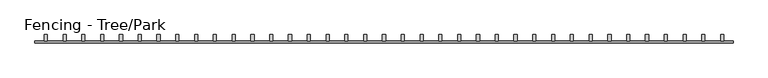
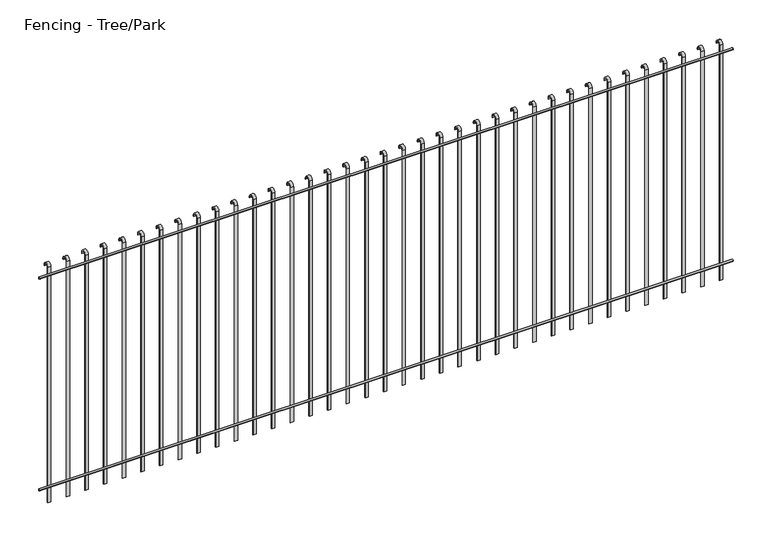
"""IFC4 building model written with IfcOpenShell, lengths in millimetres: railing geometry, Fencing - Tree/Park."""

from ifc_helpers import new_model, si_unit, point, frame, frame_2d, origin, place, context, project, spatial, polyline, circle_curve, trimmed, segment, composite_curve, outline, extrude, source, transform, mapped, element, save


def fencing_tree_park_c94f55c4(model_context):
    return source(origin(), model_context, "Body", "SweptSolid", [
        extrude(outline(composite_curve([segment(trimmed(circle_curve(frame_2d((-5462.3493691, 1992.5)), 7.5), [point((-5454.8493691, 1992.5))], [point((-5469.8493691, 1992.5))], False, "CARTESIAN"), True, "CONTINUOUS"), segment(trimmed(circle_curve(frame_2d((-5462.3493691, 1992.5)), 7.5), [point((-5469.8493691, 1992.5))], [point((-5454.8493691, 1992.5))], False, "CARTESIAN"), True, "CONTINUOUS")], self_intersect=False)), frame((5143.9077408, 0.0, 0.0), z_axis=(1.0, 0.0, 0.0), x_axis=(0.0, 1.0, 0.0)), (0.0, 0.0, 1.0), 5574.3196625),
        extrude(outline(composite_curve([segment(trimmed(circle_curve(frame_2d((-5462.3493691, 192.5)), 7.5), [point((-5454.8493691, 192.5))], [point((-5469.8493691, 192.5))], False, "CARTESIAN"), True, "CONTINUOUS"), segment(trimmed(circle_curve(frame_2d((-5462.3493691, 192.5)), 7.5), [point((-5469.8493691, 192.5))], [point((-5454.8493691, 192.5))], False, "CARTESIAN"), True, "CONTINUOUS")], self_intersect=False)), frame((5143.9077408, 0.0, 0.0), z_axis=(1.0, 0.0, 0.0), x_axis=(0.0, 1.0, 0.0)), (0.0, 0.0, 1.0), 5574.3196625),
        extrude(outline(composite_curve([segment(trimmed(circle_curve(frame_2d((-5429.8493691, 2050.0)), 25.0), [point((-5454.8493691, 2050.0))], [point((-5404.8493691, 2050.0))], False, "CARTESIAN"), True, "CONTINUOUS"), segment(polyline([(-5404.8493691, 2050.0), (-5404.8493691, 2040.0), (-5409.8493691, 2040.0), (-5409.8493691, 2050.0)]), True, "CONTINUOUS"), segment(trimmed(circle_curve(frame_2d((-5429.8493691, 2050.0)), 20.0), [point((-5409.8493691, 2050.0))], [point((-5449.8493691, 2050.0))], True, "CARTESIAN"), True, "CONTINUOUS"), segment(polyline([(-5449.8493691, 2050.0), (-5449.8493691, 50.0), (-5454.8493691, 50.0), (-5454.8493691, 2050.0)]), True, "CONTINUOUS")], self_intersect=False)), frame((10618.5675721, 0.0, 0.0), z_axis=(1.0, 0.0, 0.0), x_axis=(0.0, 1.0, 0.0)), (0.0, 0.0, 1.0), 25.0),
        extrude(outline(composite_curve([segment(trimmed(circle_curve(frame_2d((-5429.8493691, 2050.0)), 25.0), [point((-5454.8493691, 2050.0))], [point((-5404.8493691, 2050.0))], False, "CARTESIAN"), True, "CONTINUOUS"), segment(polyline([(-5404.8493691, 2050.0), (-5404.8493691, 2040.0), (-5409.8493691, 2040.0), (-5409.8493691, 2050.0)]), True, "CONTINUOUS"), segment(trimmed(circle_curve(frame_2d((-5429.8493691, 2050.0)), 20.0), [point((-5409.8493691, 2050.0))], [point((-5449.8493691, 2050.0))], True, "CARTESIAN"), True, "CONTINUOUS"), segment(polyline([(-5449.8493691, 2050.0), (-5449.8493691, 50.0), (-5454.8493691, 50.0), (-5454.8493691, 2050.0)]), True, "CONTINUOUS")], self_intersect=False)), frame((10468.5675721, 0.0, 0.0), z_axis=(1.0, 0.0, 0.0), x_axis=(0.0, 1.0, 0.0)), (0.0, 0.0, 1.0), 25.0),
        extrude(outline(composite_curve([segment(trimmed(circle_curve(frame_2d((-5429.8493691, 2050.0)), 25.0), [point((-5454.8493691, 2050.0))], [point((-5404.8493691, 2050.0))], False, "CARTESIAN"), True, "CONTINUOUS"), segment(polyline([(-5404.8493691, 2050.0), (-5404.8493691, 2040.0), (-5409.8493691, 2040.0), (-5409.8493691, 2050.0)]), True, "CONTINUOUS"), segment(trimmed(circle_curve(frame_2d((-5429.8493691, 2050.0)), 20.0), [point((-5409.8493691, 2050.0))], [point((-5449.8493691, 2050.0))], True, "CARTESIAN"), True, "CONTINUOUS"), segment(polyline([(-5449.8493691, 2050.0), (-5449.8493691, 50.0), (-5454.8493691, 50.0), (-5454.8493691, 2050.0)]), True, "CONTINUOUS")], self_intersect=False)), frame((10318.5675721, 0.0, 0.0), z_axis=(1.0, 0.0, 0.0), x_axis=(0.0, 1.0, 0.0)), (0.0, 0.0, 1.0), 25.0),
        extrude(outline(composite_curve([segment(trimmed(circle_curve(frame_2d((-5429.8493691, 2050.0)), 25.0), [point((-5454.8493691, 2050.0))], [point((-5404.8493691, 2050.0))], False, "CARTESIAN"), True, "CONTINUOUS"), segment(polyline([(-5404.8493691, 2050.0), (-5404.8493691, 2040.0), (-5409.8493691, 2040.0), (-5409.8493691, 2050.0)]), True, "CONTINUOUS"), segment(trimmed(circle_curve(frame_2d((-5429.8493691, 2050.0)), 20.0), [point((-5409.8493691, 2050.0))], [point((-5449.8493691, 2050.0))], True, "CARTESIAN"), True, "CONTINUOUS"), segment(polyline([(-5449.8493691, 2050.0), (-5449.8493691, 50.0), (-5454.8493691, 50.0), (-5454.8493691, 2050.0)]), True, "CONTINUOUS")], self_intersect=False)), frame((10168.5675721, 0.0, 0.0), z_axis=(1.0, 0.0, 0.0), x_axis=(0.0, 1.0, 0.0)), (0.0, 0.0, 1.0), 25.0),
        extrude(outline(composite_curve([segment(trimmed(circle_curve(frame_2d((-5429.8493691, 2050.0)), 25.0), [point((-5454.8493691, 2050.0))], [point((-5404.8493691, 2050.0))], False, "CARTESIAN"), True, "CONTINUOUS"), segment(polyline([(-5404.8493691, 2050.0), (-5404.8493691, 2040.0), (-5409.8493691, 2040.0), (-5409.8493691, 2050.0)]), True, "CONTINUOUS"), segment(trimmed(circle_curve(frame_2d((-5429.8493691, 2050.0)), 20.0), [point((-5409.8493691, 2050.0))], [point((-5449.8493691, 2050.0))], True, "CARTESIAN"), True, "CONTINUOUS"), segment(polyline([(-5449.8493691, 2050.0), (-5449.8493691, 50.0), (-5454.8493691, 50.0), (-5454.8493691, 2050.0)]), True, "CONTINUOUS")], self_intersect=False)), frame((10018.5675721, 0.0, 0.0), z_axis=(1.0, 0.0, 0.0), x_axis=(0.0, 1.0, 0.0)), (0.0, 0.0, 1.0), 25.0),
        extrude(outline(composite_curve([segment(trimmed(circle_curve(frame_2d((-5429.8493691, 2050.0)), 25.0), [point((-5454.8493691, 2050.0))], [point((-5404.8493691, 2050.0))], False, "CARTESIAN"), True, "CONTINUOUS"), segment(polyline([(-5404.8493691, 2050.0), (-5404.8493691, 2040.0), (-5409.8493691, 2040.0), (-5409.8493691, 2050.0)]), True, "CONTINUOUS"), segment(trimmed(circle_curve(frame_2d((-5429.8493691, 2050.0)), 20.0), [point((-5409.8493691, 2050.0))], [point((-5449.8493691, 2050.0))], True, "CARTESIAN"), True, "CONTINUOUS"), segment(polyline([(-5449.8493691, 2050.0), (-5449.8493691, 50.0), (-5454.8493691, 50.0), (-5454.8493691, 2050.0)]), True, "CONTINUOUS")], self_intersect=False)), frame((9868.5675721, 0.0, 0.0), z_axis=(1.0, 0.0, 0.0), x_axis=(0.0, 1.0, 0.0)), (0.0, 0.0, 1.0), 25.0),
        extrude(outline(composite_curve([segment(trimmed(circle_curve(frame_2d((-5429.8493691, 2050.0)), 25.0), [point((-5454.8493691, 2050.0))], [point((-5404.8493691, 2050.0))], False, "CARTESIAN"), True, "CONTINUOUS"), segment(polyline([(-5404.8493691, 2050.0), (-5404.8493691, 2040.0), (-5409.8493691, 2040.0), (-5409.8493691, 2050.0)]), True, "CONTINUOUS"), segment(trimmed(circle_curve(frame_2d((-5429.8493691, 2050.0)), 20.0), [point((-5409.8493691, 2050.0))], [point((-5449.8493691, 2050.0))], True, "CARTESIAN"), True, "CONTINUOUS"), segment(polyline([(-5449.8493691, 2050.0), (-5449.8493691, 50.0), (-5454.8493691, 50.0), (-5454.8493691, 2050.0)]), True, "CONTINUOUS")], self_intersect=False)), frame((9718.5675721, 0.0, 0.0), z_axis=(1.0, 0.0, 0.0), x_axis=(0.0, 1.0, 0.0)), (0.0, 0.0, 1.0), 25.0),
        extrude(outline(composite_curve([segment(trimmed(circle_curve(frame_2d((-5429.8493691, 2050.0)), 25.0), [point((-5454.8493691, 2050.0))], [point((-5404.8493691, 2050.0))], False, "CARTESIAN"), True, "CONTINUOUS"), segment(polyline([(-5404.8493691, 2050.0), (-5404.8493691, 2040.0), (-5409.8493691, 2040.0), (-5409.8493691, 2050.0)]), True, "CONTINUOUS"), segment(trimmed(circle_curve(frame_2d((-5429.8493691, 2050.0)), 20.0), [point((-5409.8493691, 2050.0))], [point((-5449.8493691, 2050.0))], True, "CARTESIAN"), True, "CONTINUOUS"), segment(polyline([(-5449.8493691, 2050.0), (-5449.8493691, 50.0), (-5454.8493691, 50.0), (-5454.8493691, 2050.0)]), True, "CONTINUOUS")], self_intersect=False)), frame((9568.5675721, 0.0, 0.0), z_axis=(1.0, 0.0, 0.0), x_axis=(0.0, 1.0, 0.0)), (0.0, 0.0, 1.0), 25.0),
        extrude(outline(composite_curve([segment(trimmed(circle_curve(frame_2d((-5429.8493691, 2050.0)), 25.0), [point((-5454.8493691, 2050.0))], [point((-5404.8493691, 2050.0))], False, "CARTESIAN"), True, "CONTINUOUS"), segment(polyline([(-5404.8493691, 2050.0), (-5404.8493691, 2040.0), (-5409.8493691, 2040.0), (-5409.8493691, 2050.0)]), True, "CONTINUOUS"), segment(trimmed(circle_curve(frame_2d((-5429.8493691, 2050.0)), 20.0), [point((-5409.8493691, 2050.0))], [point((-5449.8493691, 2050.0))], True, "CARTESIAN"), True, "CONTINUOUS"), segment(polyline([(-5449.8493691, 2050.0), (-5449.8493691, 50.0), (-5454.8493691, 50.0), (-5454.8493691, 2050.0)]), True, "CONTINUOUS")], self_intersect=False)), frame((9418.5675721, 0.0, 0.0), z_axis=(1.0, 0.0, 0.0), x_axis=(0.0, 1.0, 0.0)), (0.0, 0.0, 1.0), 25.0),
        extrude(outline(composite_curve([segment(trimmed(circle_curve(frame_2d((-5429.8493691, 2050.0)), 25.0), [point((-5454.8493691, 2050.0))], [point((-5404.8493691, 2050.0))], False, "CARTESIAN"), True, "CONTINUOUS"), segment(polyline([(-5404.8493691, 2050.0), (-5404.8493691, 2040.0), (-5409.8493691, 2040.0), (-5409.8493691, 2050.0)]), True, "CONTINUOUS"), segment(trimmed(circle_curve(frame_2d((-5429.8493691, 2050.0)), 20.0), [point((-5409.8493691, 2050.0))], [point((-5449.8493691, 2050.0))], True, "CARTESIAN"), True, "CONTINUOUS"), segment(polyline([(-5449.8493691, 2050.0), (-5449.8493691, 50.0), (-5454.8493691, 50.0), (-5454.8493691, 2050.0)]), True, "CONTINUOUS")], self_intersect=False)), frame((9268.5675721, 0.0, 0.0), z_axis=(1.0, 0.0, 0.0), x_axis=(0.0, 1.0, 0.0)), (0.0, 0.0, 1.0), 25.0),
        extrude(outline(composite_curve([segment(trimmed(circle_curve(frame_2d((-5429.8493691, 2050.0)), 25.0), [point((-5454.8493691, 2050.0))], [point((-5404.8493691, 2050.0))], False, "CARTESIAN"), True, "CONTINUOUS"), segment(polyline([(-5404.8493691, 2050.0), (-5404.8493691, 2040.0), (-5409.8493691, 2040.0), (-5409.8493691, 2050.0)]), True, "CONTINUOUS"), segment(trimmed(circle_curve(frame_2d((-5429.8493691, 2050.0)), 20.0), [point((-5409.8493691, 2050.0))], [point((-5449.8493691, 2050.0))], True, "CARTESIAN"), True, "CONTINUOUS"), segment(polyline([(-5449.8493691, 2050.0), (-5449.8493691, 50.0), (-5454.8493691, 50.0), (-5454.8493691, 2050.0)]), True, "CONTINUOUS")], self_intersect=False)), frame((9118.5675721, 0.0, 0.0), z_axis=(1.0, 0.0, 0.0), x_axis=(0.0, 1.0, 0.0)), (0.0, 0.0, 1.0), 25.0),
        extrude(outline(composite_curve([segment(trimmed(circle_curve(frame_2d((-5429.8493691, 2050.0)), 25.0), [point((-5454.8493691, 2050.0))], [point((-5404.8493691, 2050.0))], False, "CARTESIAN"), True, "CONTINUOUS"), segment(polyline([(-5404.8493691, 2050.0), (-5404.8493691, 2040.0), (-5409.8493691, 2040.0), (-5409.8493691, 2050.0)]), True, "CONTINUOUS"), segment(trimmed(circle_curve(frame_2d((-5429.8493691, 2050.0)), 20.0), [point((-5409.8493691, 2050.0))], [point((-5449.8493691, 2050.0))], True, "CARTESIAN"), True, "CONTINUOUS"), segment(polyline([(-5449.8493691, 2050.0), (-5449.8493691, 50.0), (-5454.8493691, 50.0), (-5454.8493691, 2050.0)]), True, "CONTINUOUS")], self_intersect=False)), frame((8968.5675721, 0.0, 0.0), z_axis=(1.0, 0.0, 0.0), x_axis=(0.0, 1.0, 0.0)), (0.0, 0.0, 1.0), 25.0),
        extrude(outline(composite_curve([segment(trimmed(circle_curve(frame_2d((-5429.8493691, 2050.0)), 25.0), [point((-5454.8493691, 2050.0))], [point((-5404.8493691, 2050.0))], False, "CARTESIAN"), True, "CONTINUOUS"), segment(polyline([(-5404.8493691, 2050.0), (-5404.8493691, 2040.0), (-5409.8493691, 2040.0), (-5409.8493691, 2050.0)]), True, "CONTINUOUS"), segment(trimmed(circle_curve(frame_2d((-5429.8493691, 2050.0)), 20.0), [point((-5409.8493691, 2050.0))], [point((-5449.8493691, 2050.0))], True, "CARTESIAN"), True, "CONTINUOUS"), segment(polyline([(-5449.8493691, 2050.0), (-5449.8493691, 50.0), (-5454.8493691, 50.0), (-5454.8493691, 2050.0)]), True, "CONTINUOUS")], self_intersect=False)), frame((8818.5675721, 0.0, 0.0), z_axis=(1.0, 0.0, 0.0), x_axis=(0.0, 1.0, 0.0)), (0.0, 0.0, 1.0), 25.0),
        extrude(outline(composite_curve([segment(trimmed(circle_curve(frame_2d((-5429.8493691, 2050.0)), 25.0), [point((-5454.8493691, 2050.0))], [point((-5404.8493691, 2050.0))], False, "CARTESIAN"), True, "CONTINUOUS"), segment(polyline([(-5404.8493691, 2050.0), (-5404.8493691, 2040.0), (-5409.8493691, 2040.0), (-5409.8493691, 2050.0)]), True, "CONTINUOUS"), segment(trimmed(circle_curve(frame_2d((-5429.8493691, 2050.0)), 20.0), [point((-5409.8493691, 2050.0))], [point((-5449.8493691, 2050.0))], True, "CARTESIAN"), True, "CONTINUOUS"), segment(polyline([(-5449.8493691, 2050.0), (-5449.8493691, 50.0), (-5454.8493691, 50.0), (-5454.8493691, 2050.0)]), True, "CONTINUOUS")], self_intersect=False)), frame((8668.5675721, 0.0, 0.0), z_axis=(1.0, 0.0, 0.0), x_axis=(0.0, 1.0, 0.0)), (0.0, 0.0, 1.0), 25.0),
        extrude(outline(composite_curve([segment(trimmed(circle_curve(frame_2d((-5429.8493691, 2050.0)), 25.0), [point((-5454.8493691, 2050.0))], [point((-5404.8493691, 2050.0))], False, "CARTESIAN"), True, "CONTINUOUS"), segment(polyline([(-5404.8493691, 2050.0), (-5404.8493691, 2040.0), (-5409.8493691, 2040.0), (-5409.8493691, 2050.0)]), True, "CONTINUOUS"), segment(trimmed(circle_curve(frame_2d((-5429.8493691, 2050.0)), 20.0), [point((-5409.8493691, 2050.0))], [point((-5449.8493691, 2050.0))], True, "CARTESIAN"), True, "CONTINUOUS"), segment(polyline([(-5449.8493691, 2050.0), (-5449.8493691, 50.0), (-5454.8493691, 50.0), (-5454.8493691, 2050.0)]), True, "CONTINUOUS")], self_intersect=False)), frame((8518.5675721, 0.0, 0.0), z_axis=(1.0, 0.0, 0.0), x_axis=(0.0, 1.0, 0.0)), (0.0, 0.0, 1.0), 25.0),
        extrude(outline(composite_curve([segment(trimmed(circle_curve(frame_2d((-5429.8493691, 2050.0)), 25.0), [point((-5454.8493691, 2050.0))], [point((-5404.8493691, 2050.0))], False, "CARTESIAN"), True, "CONTINUOUS"), segment(polyline([(-5404.8493691, 2050.0), (-5404.8493691, 2040.0), (-5409.8493691, 2040.0), (-5409.8493691, 2050.0)]), True, "CONTINUOUS"), segment(trimmed(circle_curve(frame_2d((-5429.8493691, 2050.0)), 20.0), [point((-5409.8493691, 2050.0))], [point((-5449.8493691, 2050.0))], True, "CARTESIAN"), True, "CONTINUOUS"), segment(polyline([(-5449.8493691, 2050.0), (-5449.8493691, 50.0), (-5454.8493691, 50.0), (-5454.8493691, 2050.0)]), True, "CONTINUOUS")], self_intersect=False)), frame((8368.5675721, 0.0, 0.0), z_axis=(1.0, 0.0, 0.0), x_axis=(0.0, 1.0, 0.0)), (0.0, 0.0, 1.0), 25.0),
        extrude(outline(composite_curve([segment(trimmed(circle_curve(frame_2d((-5429.8493691, 2050.0)), 25.0), [point((-5454.8493691, 2050.0))], [point((-5404.8493691, 2050.0))], False, "CARTESIAN"), True, "CONTINUOUS"), segment(polyline([(-5404.8493691, 2050.0), (-5404.8493691, 2040.0), (-5409.8493691, 2040.0), (-5409.8493691, 2050.0)]), True, "CONTINUOUS"), segment(trimmed(circle_curve(frame_2d((-5429.8493691, 2050.0)), 20.0), [point((-5409.8493691, 2050.0))], [point((-5449.8493691, 2050.0))], True, "CARTESIAN"), True, "CONTINUOUS"), segment(polyline([(-5449.8493691, 2050.0), (-5449.8493691, 50.0), (-5454.8493691, 50.0), (-5454.8493691, 2050.0)]), True, "CONTINUOUS")], self_intersect=False)), frame((8218.5675721, 0.0, 0.0), z_axis=(1.0, 0.0, 0.0), x_axis=(0.0, 1.0, 0.0)), (0.0, 0.0, 1.0), 25.0),
        extrude(outline(composite_curve([segment(trimmed(circle_curve(frame_2d((-5429.8493691, 2050.0)), 25.0), [point((-5454.8493691, 2050.0))], [point((-5404.8493691, 2050.0))], False, "CARTESIAN"), True, "CONTINUOUS"), segment(polyline([(-5404.8493691, 2050.0), (-5404.8493691, 2040.0), (-5409.8493691, 2040.0), (-5409.8493691, 2050.0)]), True, "CONTINUOUS"), segment(trimmed(circle_curve(frame_2d((-5429.8493691, 2050.0)), 20.0), [point((-5409.8493691, 2050.0))], [point((-5449.8493691, 2050.0))], True, "CARTESIAN"), True, "CONTINUOUS"), segment(polyline([(-5449.8493691, 2050.0), (-5449.8493691, 50.0), (-5454.8493691, 50.0), (-5454.8493691, 2050.0)]), True, "CONTINUOUS")], self_intersect=False)), frame((8068.5675721, 0.0, 0.0), z_axis=(1.0, 0.0, 0.0), x_axis=(0.0, 1.0, 0.0)), (0.0, 0.0, 1.0), 25.0),
        extrude(outline(composite_curve([segment(trimmed(circle_curve(frame_2d((-5429.8493691, 2050.0)), 25.0), [point((-5454.8493691, 2050.0))], [point((-5404.8493691, 2050.0))], False, "CARTESIAN"), True, "CONTINUOUS"), segment(polyline([(-5404.8493691, 2050.0), (-5404.8493691, 2040.0), (-5409.8493691, 2040.0), (-5409.8493691, 2050.0)]), True, "CONTINUOUS"), segment(trimmed(circle_curve(frame_2d((-5429.8493691, 2050.0)), 20.0), [point((-5409.8493691, 2050.0))], [point((-5449.8493691, 2050.0))], True, "CARTESIAN"), True, "CONTINUOUS"), segment(polyline([(-5449.8493691, 2050.0), (-5449.8493691, 50.0), (-5454.8493691, 50.0), (-5454.8493691, 2050.0)]), True, "CONTINUOUS")], self_intersect=False)), frame((7918.5675721, 0.0, 0.0), z_axis=(1.0, 0.0, 0.0), x_axis=(0.0, 1.0, 0.0)), (0.0, 0.0, 1.0), 25.0),
        extrude(outline(composite_curve([segment(trimmed(circle_curve(frame_2d((-5429.8493691, 2050.0)), 25.0), [point((-5454.8493691, 2050.0))], [point((-5404.8493691, 2050.0))], False, "CARTESIAN"), True, "CONTINUOUS"), segment(polyline([(-5404.8493691, 2050.0), (-5404.8493691, 2040.0), (-5409.8493691, 2040.0), (-5409.8493691, 2050.0)]), True, "CONTINUOUS"), segment(trimmed(circle_curve(frame_2d((-5429.8493691, 2050.0)), 20.0), [point((-5409.8493691, 2050.0))], [point((-5449.8493691, 2050.0))], True, "CARTESIAN"), True, "CONTINUOUS"), segment(polyline([(-5449.8493691, 2050.0), (-5449.8493691, 50.0), (-5454.8493691, 50.0), (-5454.8493691, 2050.0)]), True, "CONTINUOUS")], self_intersect=False)), frame((7768.5675721, 0.0, 0.0), z_axis=(1.0, 0.0, 0.0), x_axis=(0.0, 1.0, 0.0)), (0.0, 0.0, 1.0), 25.0),
        extrude(outline(composite_curve([segment(trimmed(circle_curve(frame_2d((-5429.8493691, 2050.0)), 25.0), [point((-5454.8493691, 2050.0))], [point((-5404.8493691, 2050.0))], False, "CARTESIAN"), True, "CONTINUOUS"), segment(polyline([(-5404.8493691, 2050.0), (-5404.8493691, 2040.0), (-5409.8493691, 2040.0), (-5409.8493691, 2050.0)]), True, "CONTINUOUS"), segment(trimmed(circle_curve(frame_2d((-5429.8493691, 2050.0)), 20.0), [point((-5409.8493691, 2050.0))], [point((-5449.8493691, 2050.0))], True, "CARTESIAN"), True, "CONTINUOUS"), segment(polyline([(-5449.8493691, 2050.0), (-5449.8493691, 50.0), (-5454.8493691, 50.0), (-5454.8493691, 2050.0)]), True, "CONTINUOUS")], self_intersect=False)), frame((7618.5675721, 0.0, 0.0), z_axis=(1.0, 0.0, 0.0), x_axis=(0.0, 1.0, 0.0)), (0.0, 0.0, 1.0), 25.0),
        extrude(outline(composite_curve([segment(trimmed(circle_curve(frame_2d((-5429.8493691, 2050.0)), 25.0), [point((-5454.8493691, 2050.0))], [point((-5404.8493691, 2050.0))], False, "CARTESIAN"), True, "CONTINUOUS"), segment(polyline([(-5404.8493691, 2050.0), (-5404.8493691, 2040.0), (-5409.8493691, 2040.0), (-5409.8493691, 2050.0)]), True, "CONTINUOUS"), segment(trimmed(circle_curve(frame_2d((-5429.8493691, 2050.0)), 20.0), [point((-5409.8493691, 2050.0))], [point((-5449.8493691, 2050.0))], True, "CARTESIAN"), True, "CONTINUOUS"), segment(polyline([(-5449.8493691, 2050.0), (-5449.8493691, 50.0), (-5454.8493691, 50.0), (-5454.8493691, 2050.0)]), True, "CONTINUOUS")], self_intersect=False)), frame((7468.5675721, 0.0, 0.0), z_axis=(1.0, 0.0, 0.0), x_axis=(0.0, 1.0, 0.0)), (0.0, 0.0, 1.0), 25.0),
        extrude(outline(composite_curve([segment(trimmed(circle_curve(frame_2d((-5429.8493691, 2050.0)), 25.0), [point((-5454.8493691, 2050.0))], [point((-5404.8493691, 2050.0))], False, "CARTESIAN"), True, "CONTINUOUS"), segment(polyline([(-5404.8493691, 2050.0), (-5404.8493691, 2040.0), (-5409.8493691, 2040.0), (-5409.8493691, 2050.0)]), True, "CONTINUOUS"), segment(trimmed(circle_curve(frame_2d((-5429.8493691, 2050.0)), 20.0), [point((-5409.8493691, 2050.0))], [point((-5449.8493691, 2050.0))], True, "CARTESIAN"), True, "CONTINUOUS"), segment(polyline([(-5449.8493691, 2050.0), (-5449.8493691, 50.0), (-5454.8493691, 50.0), (-5454.8493691, 2050.0)]), True, "CONTINUOUS")], self_intersect=False)), frame((7318.5675721, 0.0, 0.0), z_axis=(1.0, 0.0, 0.0), x_axis=(0.0, 1.0, 0.0)), (0.0, 0.0, 1.0), 25.0),
        extrude(outline(composite_curve([segment(trimmed(circle_curve(frame_2d((-5429.8493691, 2050.0)), 25.0), [point((-5454.8493691, 2050.0))], [point((-5404.8493691, 2050.0))], False, "CARTESIAN"), True, "CONTINUOUS"), segment(polyline([(-5404.8493691, 2050.0), (-5404.8493691, 2040.0), (-5409.8493691, 2040.0), (-5409.8493691, 2050.0)]), True, "CONTINUOUS"), segment(trimmed(circle_curve(frame_2d((-5429.8493691, 2050.0)), 20.0), [point((-5409.8493691, 2050.0))], [point((-5449.8493691, 2050.0))], True, "CARTESIAN"), True, "CONTINUOUS"), segment(polyline([(-5449.8493691, 2050.0), (-5449.8493691, 50.0), (-5454.8493691, 50.0), (-5454.8493691, 2050.0)]), True, "CONTINUOUS")], self_intersect=False)), frame((7168.5675721, 0.0, 0.0), z_axis=(1.0, 0.0, 0.0), x_axis=(0.0, 1.0, 0.0)), (0.0, 0.0, 1.0), 25.0),
        extrude(outline(composite_curve([segment(trimmed(circle_curve(frame_2d((-5429.8493691, 2050.0)), 25.0), [point((-5454.8493691, 2050.0))], [point((-5404.8493691, 2050.0))], False, "CARTESIAN"), True, "CONTINUOUS"), segment(polyline([(-5404.8493691, 2050.0), (-5404.8493691, 2040.0), (-5409.8493691, 2040.0), (-5409.8493691, 2050.0)]), True, "CONTINUOUS"), segment(trimmed(circle_curve(frame_2d((-5429.8493691, 2050.0)), 20.0), [point((-5409.8493691, 2050.0))], [point((-5449.8493691, 2050.0))], True, "CARTESIAN"), True, "CONTINUOUS"), segment(polyline([(-5449.8493691, 2050.0), (-5449.8493691, 50.0), (-5454.8493691, 50.0), (-5454.8493691, 2050.0)]), True, "CONTINUOUS")], self_intersect=False)), frame((7018.5675721, 0.0, 0.0), z_axis=(1.0, 0.0, 0.0), x_axis=(0.0, 1.0, 0.0)), (0.0, 0.0, 1.0), 25.0),
        extrude(outline(composite_curve([segment(trimmed(circle_curve(frame_2d((-5429.8493691, 2050.0)), 25.0), [point((-5454.8493691, 2050.0))], [point((-5404.8493691, 2050.0))], False, "CARTESIAN"), True, "CONTINUOUS"), segment(polyline([(-5404.8493691, 2050.0), (-5404.8493691, 2040.0), (-5409.8493691, 2040.0), (-5409.8493691, 2050.0)]), True, "CONTINUOUS"), segment(trimmed(circle_curve(frame_2d((-5429.8493691, 2050.0)), 20.0), [point((-5409.8493691, 2050.0))], [point((-5449.8493691, 2050.0))], True, "CARTESIAN"), True, "CONTINUOUS"), segment(polyline([(-5449.8493691, 2050.0), (-5449.8493691, 50.0), (-5454.8493691, 50.0), (-5454.8493691, 2050.0)]), True, "CONTINUOUS")], self_intersect=False)), frame((6868.5675721, 0.0, 0.0), z_axis=(1.0, 0.0, 0.0), x_axis=(0.0, 1.0, 0.0)), (0.0, 0.0, 1.0), 25.0),
        extrude(outline(composite_curve([segment(trimmed(circle_curve(frame_2d((-5429.8493691, 2050.0)), 25.0), [point((-5454.8493691, 2050.0))], [point((-5404.8493691, 2050.0))], False, "CARTESIAN"), True, "CONTINUOUS"), segment(polyline([(-5404.8493691, 2050.0), (-5404.8493691, 2040.0), (-5409.8493691, 2040.0), (-5409.8493691, 2050.0)]), True, "CONTINUOUS"), segment(trimmed(circle_curve(frame_2d((-5429.8493691, 2050.0)), 20.0), [point((-5409.8493691, 2050.0))], [point((-5449.8493691, 2050.0))], True, "CARTESIAN"), True, "CONTINUOUS"), segment(polyline([(-5449.8493691, 2050.0), (-5449.8493691, 50.0), (-5454.8493691, 50.0), (-5454.8493691, 2050.0)]), True, "CONTINUOUS")], self_intersect=False)), frame((6718.5675721, 0.0, 0.0), z_axis=(1.0, 0.0, 0.0), x_axis=(0.0, 1.0, 0.0)), (0.0, 0.0, 1.0), 25.0),
        extrude(outline(composite_curve([segment(trimmed(circle_curve(frame_2d((-5429.8493691, 2050.0)), 25.0), [point((-5454.8493691, 2050.0))], [point((-5404.8493691, 2050.0))], False, "CARTESIAN"), True, "CONTINUOUS"), segment(polyline([(-5404.8493691, 2050.0), (-5404.8493691, 2040.0), (-5409.8493691, 2040.0), (-5409.8493691, 2050.0)]), True, "CONTINUOUS"), segment(trimmed(circle_curve(frame_2d((-5429.8493691, 2050.0)), 20.0), [point((-5409.8493691, 2050.0))], [point((-5449.8493691, 2050.0))], True, "CARTESIAN"), True, "CONTINUOUS"), segment(polyline([(-5449.8493691, 2050.0), (-5449.8493691, 50.0), (-5454.8493691, 50.0), (-5454.8493691, 2050.0)]), True, "CONTINUOUS")], self_intersect=False)), frame((6568.5675721, 0.0, 0.0), z_axis=(1.0, 0.0, 0.0), x_axis=(0.0, 1.0, 0.0)), (0.0, 0.0, 1.0), 25.0),
        extrude(outline(composite_curve([segment(trimmed(circle_curve(frame_2d((-5429.8493691, 2050.0)), 25.0), [point((-5454.8493691, 2050.0))], [point((-5404.8493691, 2050.0))], False, "CARTESIAN"), True, "CONTINUOUS"), segment(polyline([(-5404.8493691, 2050.0), (-5404.8493691, 2040.0), (-5409.8493691, 2040.0), (-5409.8493691, 2050.0)]), True, "CONTINUOUS"), segment(trimmed(circle_curve(frame_2d((-5429.8493691, 2050.0)), 20.0), [point((-5409.8493691, 2050.0))], [point((-5449.8493691, 2050.0))], True, "CARTESIAN"), True, "CONTINUOUS"), segment(polyline([(-5449.8493691, 2050.0), (-5449.8493691, 50.0), (-5454.8493691, 50.0), (-5454.8493691, 2050.0)]), True, "CONTINUOUS")], self_intersect=False)), frame((6418.5675721, 0.0, 0.0), z_axis=(1.0, 0.0, 0.0), x_axis=(0.0, 1.0, 0.0)), (0.0, 0.0, 1.0), 25.0),
        extrude(outline(composite_curve([segment(trimmed(circle_curve(frame_2d((-5429.8493691, 2050.0)), 25.0), [point((-5454.8493691, 2050.0))], [point((-5404.8493691, 2050.0))], False, "CARTESIAN"), True, "CONTINUOUS"), segment(polyline([(-5404.8493691, 2050.0), (-5404.8493691, 2040.0), (-5409.8493691, 2040.0), (-5409.8493691, 2050.0)]), True, "CONTINUOUS"), segment(trimmed(circle_curve(frame_2d((-5429.8493691, 2050.0)), 20.0), [point((-5409.8493691, 2050.0))], [point((-5449.8493691, 2050.0))], True, "CARTESIAN"), True, "CONTINUOUS"), segment(polyline([(-5449.8493691, 2050.0), (-5449.8493691, 50.0), (-5454.8493691, 50.0), (-5454.8493691, 2050.0)]), True, "CONTINUOUS")], self_intersect=False)), frame((6268.5675721, 0.0, 0.0), z_axis=(1.0, 0.0, 0.0), x_axis=(0.0, 1.0, 0.0)), (0.0, 0.0, 1.0), 25.0),
        extrude(outline(composite_curve([segment(trimmed(circle_curve(frame_2d((-5429.8493691, 2050.0)), 25.0), [point((-5454.8493691, 2050.0))], [point((-5404.8493691, 2050.0))], False, "CARTESIAN"), True, "CONTINUOUS"), segment(polyline([(-5404.8493691, 2050.0), (-5404.8493691, 2040.0), (-5409.8493691, 2040.0), (-5409.8493691, 2050.0)]), True, "CONTINUOUS"), segment(trimmed(circle_curve(frame_2d((-5429.8493691, 2050.0)), 20.0), [point((-5409.8493691, 2050.0))], [point((-5449.8493691, 2050.0))], True, "CARTESIAN"), True, "CONTINUOUS"), segment(polyline([(-5449.8493691, 2050.0), (-5449.8493691, 50.0), (-5454.8493691, 50.0), (-5454.8493691, 2050.0)]), True, "CONTINUOUS")], self_intersect=False)), frame((6118.5675721, 0.0, 0.0), z_axis=(1.0, 0.0, 0.0), x_axis=(0.0, 1.0, 0.0)), (0.0, 0.0, 1.0), 25.0),
        extrude(outline(composite_curve([segment(trimmed(circle_curve(frame_2d((-5429.8493691, 2050.0)), 25.0), [point((-5454.8493691, 2050.0))], [point((-5404.8493691, 2050.0))], False, "CARTESIAN"), True, "CONTINUOUS"), segment(polyline([(-5404.8493691, 2050.0), (-5404.8493691, 2040.0), (-5409.8493691, 2040.0), (-5409.8493691, 2050.0)]), True, "CONTINUOUS"), segment(trimmed(circle_curve(frame_2d((-5429.8493691, 2050.0)), 20.0), [point((-5409.8493691, 2050.0))], [point((-5449.8493691, 2050.0))], True, "CARTESIAN"), True, "CONTINUOUS"), segment(polyline([(-5449.8493691, 2050.0), (-5449.8493691, 50.0), (-5454.8493691, 50.0), (-5454.8493691, 2050.0)]), True, "CONTINUOUS")], self_intersect=False)), frame((5968.5675721, 0.0, 0.0), z_axis=(1.0, 0.0, 0.0), x_axis=(0.0, 1.0, 0.0)), (0.0, 0.0, 1.0), 25.0),
        extrude(outline(composite_curve([segment(trimmed(circle_curve(frame_2d((-5429.8493691, 2050.0)), 25.0), [point((-5454.8493691, 2050.0))], [point((-5404.8493691, 2050.0))], False, "CARTESIAN"), True, "CONTINUOUS"), segment(polyline([(-5404.8493691, 2050.0), (-5404.8493691, 2040.0), (-5409.8493691, 2040.0), (-5409.8493691, 2050.0)]), True, "CONTINUOUS"), segment(trimmed(circle_curve(frame_2d((-5429.8493691, 2050.0)), 20.0), [point((-5409.8493691, 2050.0))], [point((-5449.8493691, 2050.0))], True, "CARTESIAN"), True, "CONTINUOUS"), segment(polyline([(-5449.8493691, 2050.0), (-5449.8493691, 50.0), (-5454.8493691, 50.0), (-5454.8493691, 2050.0)]), True, "CONTINUOUS")], self_intersect=False)), frame((5818.5675721, 0.0, 0.0), z_axis=(1.0, 0.0, 0.0), x_axis=(0.0, 1.0, 0.0)), (0.0, 0.0, 1.0), 25.0),
        extrude(outline(composite_curve([segment(trimmed(circle_curve(frame_2d((-5429.8493691, 2050.0)), 25.0), [point((-5454.8493691, 2050.0))], [point((-5404.8493691, 2050.0))], False, "CARTESIAN"), True, "CONTINUOUS"), segment(polyline([(-5404.8493691, 2050.0), (-5404.8493691, 2040.0), (-5409.8493691, 2040.0), (-5409.8493691, 2050.0)]), True, "CONTINUOUS"), segment(trimmed(circle_curve(frame_2d((-5429.8493691, 2050.0)), 20.0), [point((-5409.8493691, 2050.0))], [point((-5449.8493691, 2050.0))], True, "CARTESIAN"), True, "CONTINUOUS"), segment(polyline([(-5449.8493691, 2050.0), (-5449.8493691, 50.0), (-5454.8493691, 50.0), (-5454.8493691, 2050.0)]), True, "CONTINUOUS")], self_intersect=False)), frame((5668.5675721, 0.0, 0.0), z_axis=(1.0, 0.0, 0.0), x_axis=(0.0, 1.0, 0.0)), (0.0, 0.0, 1.0), 25.0),
        extrude(outline(composite_curve([segment(trimmed(circle_curve(frame_2d((-5429.8493691, 2050.0)), 25.0), [point((-5454.8493691, 2050.0))], [point((-5404.8493691, 2050.0))], False, "CARTESIAN"), True, "CONTINUOUS"), segment(polyline([(-5404.8493691, 2050.0), (-5404.8493691, 2040.0), (-5409.8493691, 2040.0), (-5409.8493691, 2050.0)]), True, "CONTINUOUS"), segment(trimmed(circle_curve(frame_2d((-5429.8493691, 2050.0)), 20.0), [point((-5409.8493691, 2050.0))], [point((-5449.8493691, 2050.0))], True, "CARTESIAN"), True, "CONTINUOUS"), segment(polyline([(-5449.8493691, 2050.0), (-5449.8493691, 50.0), (-5454.8493691, 50.0), (-5454.8493691, 2050.0)]), True, "CONTINUOUS")], self_intersect=False)), frame((5518.5675721, 0.0, 0.0), z_axis=(1.0, 0.0, 0.0), x_axis=(0.0, 1.0, 0.0)), (0.0, 0.0, 1.0), 25.0),
        extrude(outline(composite_curve([segment(trimmed(circle_curve(frame_2d((-5429.8493691, 2050.0)), 25.0), [point((-5454.8493691, 2050.0))], [point((-5404.8493691, 2050.0))], False, "CARTESIAN"), True, "CONTINUOUS"), segment(polyline([(-5404.8493691, 2050.0), (-5404.8493691, 2040.0), (-5409.8493691, 2040.0), (-5409.8493691, 2050.0)]), True, "CONTINUOUS"), segment(trimmed(circle_curve(frame_2d((-5429.8493691, 2050.0)), 20.0), [point((-5409.8493691, 2050.0))], [point((-5449.8493691, 2050.0))], True, "CARTESIAN"), True, "CONTINUOUS"), segment(polyline([(-5449.8493691, 2050.0), (-5449.8493691, 50.0), (-5454.8493691, 50.0), (-5454.8493691, 2050.0)]), True, "CONTINUOUS")], self_intersect=False)), frame((5368.5675721, 0.0, 0.0), z_axis=(1.0, 0.0, 0.0), x_axis=(0.0, 1.0, 0.0)), (0.0, 0.0, 1.0), 25.0),
        extrude(outline(composite_curve([segment(trimmed(circle_curve(frame_2d((-5429.8493691, 2050.0)), 25.0), [point((-5454.8493691, 2050.0))], [point((-5404.8493691, 2050.0))], False, "CARTESIAN"), True, "CONTINUOUS"), segment(polyline([(-5404.8493691, 2050.0), (-5404.8493691, 2040.0), (-5409.8493691, 2040.0), (-5409.8493691, 2050.0)]), True, "CONTINUOUS"), segment(trimmed(circle_curve(frame_2d((-5429.8493691, 2050.0)), 20.0), [point((-5409.8493691, 2050.0))], [point((-5449.8493691, 2050.0))], True, "CARTESIAN"), True, "CONTINUOUS"), segment(polyline([(-5449.8493691, 2050.0), (-5449.8493691, 50.0), (-5454.8493691, 50.0), (-5454.8493691, 2050.0)]), True, "CONTINUOUS")], self_intersect=False)), frame((5218.5675721, 0.0, 0.0), z_axis=(1.0, 0.0, 0.0), x_axis=(0.0, 1.0, 0.0)), (0.0, 0.0, 1.0), 25.0),
    ])


if __name__ == "__main__":
    model = new_model("IFC4")
    model_context = context("Model", 3, world=origin())
    ifc_project = project(units=[si_unit("LENGTHUNIT", "METRE", prefix="MILLI")], contexts=[model_context])
    site = spatial("IfcSite", under=ifc_project)
    building = spatial("IfcBuilding", under=site)
    placement = place(None, origin())
    fencing_tree_park_shape = fencing_tree_park_c94f55c4(model_context)
    element("IfcRailing", 1, ObjectType="Fencing - Tree/Park", at=placement, inside=building, context=model_context, shape_type="MappedRepresentation", body=[
        mapped(fencing_tree_park_shape, transform((0.0, 0.0, 0.0), x_axis=(1.0, 0.0, 0.0), y_axis=(0.0, 1.0, 0.0), z_axis=(0.0, 0.0, 1.0))),
    ])
    save(model, "model.ifc")
